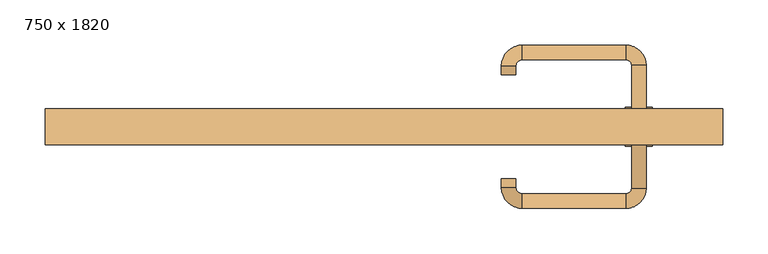
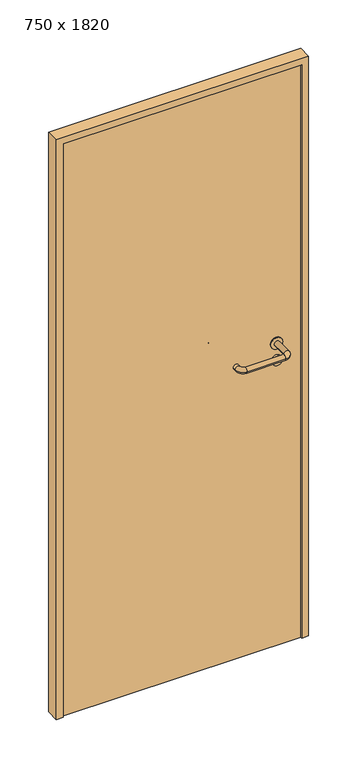
"""IFC4 building model written with IfcOpenShell, lengths in millimetres: door geometry, 750 x 1820."""

from ifc_helpers import new_model, si_unit, point, frame, frame_2d, origin, origin_with_axes, place, context, project, spatial, polyline, circle_curve, ellipse_curve, trimmed, segment, composite_curve, outline, extrude, source, transform, mapped, element, save
from ifc_brep_helpers import plane_surface, cylinder_surface, revolved_surface, advanced_brep


def door_750_x_1820_5628b999(model_context):
    return source(origin(), model_context, "Body", "SolidModel", [
        extrude(outline(composite_curve([segment(trimmed(circle_curve(frame_2d((897.3605726, 282.0)), 15.0), [point((897.3605726, 297.0))], [point((897.3605726, 267.0))], False, "CARTESIAN"), True, "CONTINUOUS"), segment(trimmed(circle_curve(frame_2d((897.3605726, 282.0)), 15.0), [point((897.3605726, 267.0))], [point((897.3605726, 297.0))], False, "CARTESIAN"), True, "CONTINUOUS")], self_intersect=False), holes=[composite_curve([segment(trimmed(circle_curve(frame_2d((892.5833211, 281.9398032)), 2.0), [point((892.5833211, 283.9398032))], [point((892.5833211, 279.9398032))], True, "CARTESIAN"), True, "CONTINUOUS"), segment(polyline([(892.5833211, 279.9398032), (902.5833211, 279.9398032)]), True, "CONTINUOUS"), segment(trimmed(circle_curve(frame_2d((902.5833211, 281.9398032)), 2.0), [point((902.5833211, 279.9398032))], [point((902.5833211, 283.9398032))], True, "CARTESIAN"), True, "CONTINUOUS"), segment(polyline([(902.5833211, 283.9398032), (892.5833211, 283.9398032)]), True, "CONTINUOUS")], self_intersect=False)]), frame((0.0, -35.0, 0.0), z_axis=(0.0, 1.0, 0.0), x_axis=(0.0, 0.0, 1.0)), (0.0, 0.0, 1.0), 6.35),
        extrude(outline(composite_curve([segment(trimmed(circle_curve(frame_2d((950.0, 282.0)), 17.526), [point((950.0, 299.526))], [point((950.0, 264.474))], False, "CARTESIAN"), True, "CONTINUOUS"), segment(trimmed(circle_curve(frame_2d((950.0, 282.0)), 17.526), [point((950.0, 264.474))], [point((950.0, 299.526))], False, "CARTESIAN"), True, "CONTINUOUS")], self_intersect=False)), frame((0.0, -35.0, 0.0), z_axis=(0.0, 1.0, 0.0), x_axis=(0.0, 0.0, 1.0)), (0.0, 0.0, 1.0), 3.175),
        advanced_brep(
        [(290.0, -35.0, 950.0), (274.0, -35.0, 950.0), (290.0, 18.0, 950.0), (274.0, 18.0, 950.0), (267.8578644, 24.1421356, 950.0), (267.8578644, 40.1421356, 950.0), (152.8578644, 40.1421356, 950.0), (152.8578644, 24.1421356, 950.0), (146.008622, 17.2928932, 950.0), (130.008622, 17.2928932, 950.0), (130.008622, 7.2928932, 950.0), (146.008622, 7.2928932, 950.0)],
        [
            (0, 1, circle_curve(frame((282.0, -35.0, 950.0), z_axis=(0.0, -1.0, 0.0), x_axis=(-1.0, 0.0, 0.0)), 8.0)),
            (1, 0, circle_curve(frame((282.0, -35.0, 950.0), z_axis=(0.0, -1.0, 0.0), x_axis=(-1.0, 0.0, 0.0)), 8.0)),
            (0, 2),
            (2, 3, circle_curve(frame((282.0, 18.0, 950.0), z_axis=(0.0, -1.0, 0.0), x_axis=(-1.0, 0.0, 0.0)), 8.0)),
            (3, 1),
            (3, 2, circle_curve(frame((282.0, 18.0, 950.0), z_axis=(0.0, -1.0, 0.0), x_axis=(-1.0, 0.0, 0.0)), 8.0)),
            (4, 3, circle_curve(frame((267.8578644, 18.0, 950.0), z_axis=(0.0, 0.0, -1.0), x_axis=(1.0, 0.0, 0.0)), 6.1421356)),
            (2, 5, circle_curve(frame((267.8578644, 18.0, 950.0), z_axis=(0.0, 0.0, 1.0), x_axis=(1.0, 0.0, 0.0)), 22.1421356)),
            (5, 4, circle_curve(frame((267.8578644, 32.1421356, 950.0), z_axis=(1.0, 0.0, 0.0), x_axis=(0.0, -1.0, 0.0)), 8.0)),
            (4, 5, circle_curve(frame((267.8578644, 32.1421356, 950.0), z_axis=(1.0, 0.0, 0.0), x_axis=(0.0, -1.0, 0.0)), 8.0)),
            (5, 6),
            (6, 7, circle_curve(frame((152.8578644, 32.1421356, 950.0), z_axis=(1.0, 0.0, 0.0), x_axis=(0.0, -1.0, 0.0)), 8.0)),
            (7, 4),
            (7, 6, circle_curve(frame((152.8578644, 32.1421356, 950.0), z_axis=(1.0, 0.0, 0.0), x_axis=(0.0, -1.0, 0.0)), 8.0)),
            (8, 7, circle_curve(frame((152.8578644, 17.2928932, 950.0), z_axis=(0.0, 0.0, -1.0), x_axis=(0.0, 1.0, 0.0)), 6.8492424)),
            (6, 9, circle_curve(frame((152.8578644, 17.2928932, 950.0), z_axis=(0.0, 0.0, 1.0), x_axis=(0.0, 1.0, 0.0)), 22.8492424)),
            (9, 8, circle_curve(frame((138.008622, 17.2928932, 950.0), z_axis=(0.0, 1.0, 0.0), x_axis=(1.0, 0.0, 0.0)), 8.0)),
            (8, 9, circle_curve(frame((138.008622, 17.2928932, 950.0), z_axis=(0.0, 1.0, 0.0), x_axis=(1.0, 0.0, 0.0)), 8.0)),
            (10, 11, circle_curve(frame((138.008622, 7.2928932, 950.0), z_axis=(0.0, -1.0, 0.0), x_axis=(1.0, 0.0, 0.0)), 8.0)),
            (11, 10, circle_curve(frame((138.008622, 7.2928932, 950.0), z_axis=(0.0, -1.0, 0.0), x_axis=(1.0, 0.0, 0.0)), 8.0)),
            (9, 10),
            (11, 8),
        ],
        [
            plane_surface(frame((282.0, -35.0, 0.0), z_axis=(0.0, -1.0, 0.0), x_axis=(0.0, 0.0, 1.0))),
            cylinder_surface(frame((282.0, -35.0, 950.0), z_axis=(0.0, -1.0, 0.0), x_axis=(-1.0, 0.0, 0.0)), 8.0),
            revolved_surface(trimmed(ellipse_curve(frame((282.0, 18.0, 950.0), z_axis=(0.0, -1.0, 0.0), x_axis=(-1.0, 0.0, 0.0)), 8.0, 8.0), [point((290.0, 18.0, 950.0))], [point((274.0, 18.0, 950.0))], True, "CARTESIAN"), (267.8578644, 18.0, 0.0), (0.0, 0.0, 1.0)),
            revolved_surface(trimmed(ellipse_curve(frame((282.0, 18.0, 950.0), z_axis=(0.0, -1.0, 0.0), x_axis=(-1.0, 0.0, 0.0)), 8.0, 8.0), [point((274.0, 18.0, 950.0))], [point((290.0, 18.0, 950.0))], True, "CARTESIAN"), (267.8578644, 18.0, 0.0), (0.0, 0.0, 1.0)),
            cylinder_surface(frame((267.8578644, 32.1421356, 950.0), z_axis=(1.0, 0.0, 0.0), x_axis=(0.0, -1.0, 0.0)), 8.0),
            revolved_surface(trimmed(ellipse_curve(frame((152.8578644, 32.1421356, 950.0), z_axis=(1.0, 0.0, 0.0), x_axis=(0.0, -1.0, 0.0)), 8.0, 8.0), [point((152.8578644, 40.1421356, 950.0))], [point((152.8578644, 24.1421356, 950.0))], True, "CARTESIAN"), (152.8578644, 17.2928932, 0.0), (0.0, 0.0, 1.0)),
            revolved_surface(trimmed(ellipse_curve(frame((152.8578644, 32.1421356, 950.0), z_axis=(1.0, 0.0, 0.0), x_axis=(0.0, -1.0, 0.0)), 8.0, 8.0), [point((152.8578644, 24.1421356, 950.0))], [point((152.8578644, 40.1421356, 950.0))], True, "CARTESIAN"), (152.8578644, 17.2928932, 0.0), (0.0, 0.0, 1.0)),
            plane_surface(frame((138.008622, 7.2928932, 0.0), z_axis=(0.0, -1.0, 0.0), x_axis=(0.0, 0.0, 1.0))),
            cylinder_surface(frame((138.008622, 17.2928932, 950.0), z_axis=(0.0, 1.0, 0.0), x_axis=(1.0, 0.0, 0.0)), 8.0),
        ],
        [
            (0, [[1, 2]]),
            (1, [[-1, 3, 4, 5]]),
            (1, [[-2, -5, 6, -3]]),
            (2, [[7, -4, 8, 9]]),
            (3, [[-8, -6, -7, 10]]),
            (4, [[-9, 11, 12, 13]]),
            (4, [[-10, -13, 14, -11]]),
            (5, [[15, -12, 16, 17]]),
            (6, [[-16, -14, -15, 18]]),
            (7, [[19, 20]]),
            (8, [[-17, 21, -20, 22]]),
            (8, [[-18, -22, -19, -21]]),
        ],
    ),
        extrude(outline(composite_curve([segment(trimmed(circle_curve(frame_2d((0.0, 15.0)), 15.0), [point((0.0, 30.0))], [point((0.0, 0.0))], False, "CARTESIAN"), True, "CONTINUOUS"), segment(trimmed(circle_curve(frame_2d((0.0, 15.0)), 15.0), [point((0.0, 0.0))], [point((0.0, 30.0))], False, "CARTESIAN"), True, "CONTINUOUS")], self_intersect=False), holes=[composite_curve([segment(trimmed(circle_curve(frame_2d((-4.7772515, 14.9398032)), 2.0), [point((-4.7772515, 16.9398032))], [point((-4.7772515, 12.9398032))], True, "CARTESIAN"), True, "CONTINUOUS"), segment(polyline([(-4.7772515, 12.9398032), (5.2227485, 12.9398032)]), True, "CONTINUOUS"), segment(trimmed(circle_curve(frame_2d((5.2227485, 14.9398032)), 2.0), [point((5.2227485, 12.9398032))], [point((5.2227485, 16.9398032))], True, "CARTESIAN"), True, "CONTINUOUS"), segment(polyline([(5.2227485, 16.9398032), (-4.7772515, 16.9398032)]), True, "CONTINUOUS")], self_intersect=False)]), frame((267.0, -71.35, 897.3605726), z_axis=(-1.8870575173328306e-12, 1.0, 0.0), x_axis=(0.0, 0.0, 1.0)), (0.0, 0.0, 1.0), 6.35),
        extrude(outline(composite_curve([segment(trimmed(circle_curve(frame_2d((0.0, 17.526)), 17.526), [point((0.0, 35.052))], [point((0.0, 0.0))], False, "CARTESIAN"), True, "CONTINUOUS"), segment(trimmed(circle_curve(frame_2d((0.0, 17.526)), 17.526), [point((0.0, 0.0))], [point((0.0, 35.052))], False, "CARTESIAN"), True, "CONTINUOUS")], self_intersect=False)), frame((264.474, -68.175, 950.0), z_axis=(-1.8870575173328306e-12, 1.0, 0.0), x_axis=(0.0, 0.0, 1.0)), (0.0, 0.0, 1.0), 3.175),
        advanced_brep(
        [(290.0, -65.0, 950.0), (274.0, -65.0, 950.0), (274.0, -118.0, 950.0), (290.0, -118.0, 950.0), (267.8578644, -124.1421356, 950.0), (267.8578644, -140.1421356, 950.0), (152.8578644, -124.1421356, 950.0), (152.8578644, -140.1421356, 950.0), (146.008622, -117.2928932, 950.0), (130.008622, -117.2928932, 950.0), (130.008622, -107.2928932, 950.0), (146.008622, -107.2928932, 950.0)],
        [
            (0, 1, circle_curve(frame((282.0, -65.0, 950.0), z_axis=(-1.888672253512351e-12, 1.0, 0.0), x_axis=(-1.0, -1.888672253512351e-12, 0.0)), 8.0)),
            (1, 0, circle_curve(frame((282.0, -65.0, 950.0), z_axis=(-1.888672253512351e-12, 1.0, 0.0), x_axis=(-1.0, -1.888672253512351e-12, 0.0)), 8.0)),
            (1, 2),
            (2, 3, circle_curve(frame((282.0, -118.0, 950.0), z_axis=(-1.888672253512351e-12, 1.0, 0.0), x_axis=(-1.0, -1.888672253512351e-12, 0.0)), 8.0)),
            (3, 0),
            (3, 2, circle_curve(frame((282.0, -118.0, 950.0), z_axis=(-1.888672253512351e-12, 1.0, 0.0), x_axis=(-1.0, -1.888672253512351e-12, 0.0)), 8.0)),
            (4, 5, circle_curve(frame((267.8578644, -132.1421356, 950.0), z_axis=(1.0, 1.913702061528922e-12, 0.0), x_axis=(-1.913702061528922e-12, 1.0, 0.0)), 8.0)),
            (5, 3, circle_curve(frame((267.8578644, -118.0, 950.0), z_axis=(0.0, 0.0, 1.0), x_axis=(1.0, 1.880717803715015e-12, 0.0)), 22.1421356)),
            (2, 4, circle_curve(frame((267.8578644, -118.0, 950.0), z_axis=(0.0, 0.0, -1.0), x_axis=(1.0, 1.880717803715015e-12, 0.0)), 6.1421356)),
            (5, 4, circle_curve(frame((267.8578644, -132.1421356, 950.0), z_axis=(1.0, 1.913702061528922e-12, 0.0), x_axis=(-1.913702061528922e-12, 1.0, 0.0)), 8.0)),
            (4, 6),
            (6, 7, circle_curve(frame((152.8578644, -132.1421356, 950.0), z_axis=(1.0, 1.913719828541269e-12, 0.0), x_axis=(-1.913719828541269e-12, 1.0, 0.0)), 8.0)),
            (7, 5),
            (7, 6, circle_curve(frame((152.8578644, -132.1421356, 950.0), z_axis=(1.0, 1.913719828541269e-12, 0.0), x_axis=(-1.913719828541269e-12, 1.0, 0.0)), 8.0)),
            (8, 9, circle_curve(frame((138.008622, -117.2928932, 950.0), z_axis=(1.8888942981172756e-12, -1.0, 0.0), x_axis=(1.0, 1.8888942981172756e-12, 0.0)), 8.0)),
            (9, 7, circle_curve(frame((152.8578644, -117.2928932, 950.0), z_axis=(0.0, 0.0, 1.0), x_axis=(1.9120873253494017e-12, -1.0, 0.0)), 22.8492424)),
            (6, 8, circle_curve(frame((152.8578644, -117.2928932, 950.0), z_axis=(0.0, 0.0, -1.0), x_axis=(1.9120873253494017e-12, -1.0, 0.0)), 6.8492424)),
            (9, 8, circle_curve(frame((138.008622, -117.2928932, 950.0), z_axis=(1.890448610351751e-12, -1.0, 0.0), x_axis=(1.0, 1.890448610351751e-12, 0.0)), 8.0)),
            (10, 11, circle_curve(frame((138.008622, -107.2928932, 950.0), z_axis=(-1.8903642334018795e-12, 1.0, 0.0), x_axis=(1.0, 1.8903642334018795e-12, 0.0)), 8.0)),
            (11, 10, circle_curve(frame((138.008622, -107.2928932, 950.0), z_axis=(-1.8903642334018795e-12, 1.0, 0.0), x_axis=(1.0, 1.8903642334018795e-12, 0.0)), 8.0)),
            (8, 11),
            (10, 9),
        ],
        [
            plane_surface(frame((282.0, -65.0, 0.0), z_axis=(-1.8870575173328306e-12, 1.0, 0.0), x_axis=(0.0, 0.0, 1.0))),
            cylinder_surface(frame((282.0, -65.0, 950.0), z_axis=(-1.888672253512351e-12, 1.0, 0.0), x_axis=(-1.0, -1.888672253512351e-12, 0.0)), 8.0),
            revolved_surface(trimmed(ellipse_curve(frame((282.0, -118.0, 950.0), z_axis=(1.8823325398945356e-12, -1.0, 0.0), x_axis=(-1.0, -1.8823325398945356e-12, 0.0)), 8.0, 8.0), [point((290.0, -118.0, 950.0))], [point((274.0, -118.0, 950.0))], True, "CARTESIAN"), (267.8578644, -118.0, 0.0), (0.0, 0.0, 1.0)),
            revolved_surface(trimmed(ellipse_curve(frame((282.0, -118.0, 950.0), z_axis=(1.8823325398945356e-12, -1.0, 0.0), x_axis=(-1.0, -1.8823325398945356e-12, 0.0)), 8.0, 8.0), [point((274.0, -118.0, 950.0))], [point((290.0, -118.0, 950.0))], True, "CARTESIAN"), (267.8578644, -118.0, 0.0), (0.0, 0.0, 1.0)),
            cylinder_surface(frame((267.8578644, -132.1421356, 950.0), z_axis=(1.0, 1.913719828541269e-12, 0.0), x_axis=(-1.913719828541269e-12, 1.0, 0.0)), 8.0),
            revolved_surface(trimmed(ellipse_curve(frame((152.8578644, -132.1421356, 950.0), z_axis=(-1.0, -1.913702061528922e-12, 0.0), x_axis=(-1.913702061528922e-12, 1.0, 0.0)), 8.0, 8.0), [point((152.8578644, -140.1421356, 950.0))], [point((152.8578644, -124.1421356, 950.0))], True, "CARTESIAN"), (152.8578644, -117.2928932, 0.0), (0.0, 0.0, 1.0)),
            revolved_surface(trimmed(ellipse_curve(frame((152.8578644, -132.1421356, 950.0), z_axis=(-1.0, -1.913702061528922e-12, 0.0), x_axis=(-1.913702061528922e-12, 1.0, 0.0)), 8.0, 8.0), [point((152.8578644, -124.1421356, 950.0))], [point((152.8578644, -140.1421356, 950.0))], True, "CARTESIAN"), (152.8578644, -117.2928932, 0.0), (0.0, 0.0, 1.0)),
            plane_surface(frame((138.008622, -107.2928932, 0.0), z_axis=(-1.8887494972223595e-12, 1.0, 0.0), x_axis=(0.0, 0.0, 1.0))),
            cylinder_surface(frame((138.008622, -117.2928932, 950.0), z_axis=(1.8903642334018795e-12, -1.0, 0.0), x_axis=(1.0, 1.8903642334018795e-12, 0.0)), 8.0),
        ],
        [
            (0, [[1, 2]]),
            (1, [[3, 4, 5, -2]]),
            (1, [[-5, 6, -3, -1]]),
            (2, [[7, 8, -4, 9]]),
            (3, [[10, -9, -6, -8]]),
            (4, [[11, 12, 13, -7]]),
            (4, [[-13, 14, -11, -10]]),
            (5, [[15, 16, -12, 17]]),
            (6, [[18, -17, -14, -16]]),
            (7, [[19, 20]]),
            (8, [[21, -19, 22, -15]]),
            (8, [[-22, -20, -21, -18]]),
        ],
    ),
        extrude(outline(polyline([(1800.0, 355.0), (0.0, 355.0), (0.0, 375.0), (1820.0, 375.0), (1820.0, -375.0), (0.0, -375.0), (0.0, -355.0), (1800.0, -355.0), (1800.0, 355.0)])), frame((0.0, -70.0, 0.0), z_axis=(0.0, 1.0, 0.0), x_axis=(0.0, 0.0, 1.0)), (0.0, 0.0, 1.0), 40.0),
        extrude(outline(polyline([(-355.0, -65.0), (-355.0, -35.0), (355.0, -35.0), (355.0, -65.0), (-355.0, -65.0)])), origin_with_axes(), (0.0, 0.0, 1.0), 1800.0),
    ])


if __name__ == "__main__":
    model = new_model("IFC4")
    model_context = context("Model", 3, world=origin())
    ifc_project = project(units=[si_unit("LENGTHUNIT", "METRE", prefix="MILLI")], contexts=[model_context])
    site = spatial("IfcSite", under=ifc_project)
    building = spatial("IfcBuilding", under=site)
    placement = place(None, origin())
    door_750_x_1820_shape = door_750_x_1820_5628b999(model_context)
    element("IfcDoor", 1, ObjectType="750 x 1820", at=placement, inside=building, context=model_context, shape_type="MappedRepresentation", body=[
        mapped(door_750_x_1820_shape, transform((0.0, 0.0, 0.0), x_axis=(1.0, 0.0, 0.0), y_axis=(0.0, 1.0, 0.0), z_axis=(0.0, 0.0, 1.0))),
    ])
    save(model, "model.ifc")
